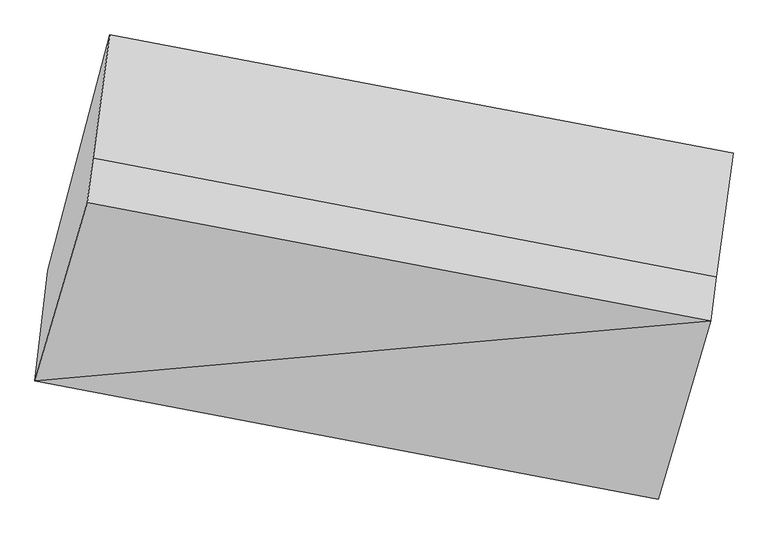
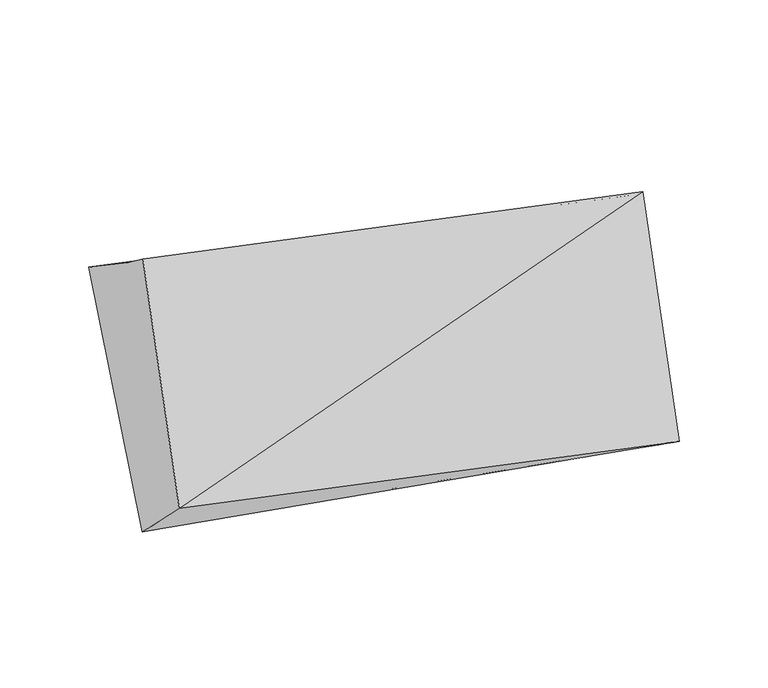
"""IFC4 building model written with IfcOpenShell, lengths in millimetres: proxy geometry."""

from ifc_helpers import new_model, si_unit, frame, origin, place, context, project, spatial, source, transform, mapped, element, save
from ifc_brep_helpers import plane_surface, spline_surface, advanced_brep


def generic_models_b3bd006a(model_context):
    return source(origin(), model_context, "Body", "AdvancedBrep", [
        advanced_brep(
        [(-3863.3990246, -1752.2188898, 1772.5977589), (-3826.0347979, -1431.1199153, 1465.1355692), (-2003.5364861, -1731.7720672, 1367.0269726), (-2052.3901789, -2096.5319855, 1633.0956076), (-3711.487759, -1235.0211821, 2468.176294), (-1900.4789132, -1579.3342779, 2328.6741427), (-3694.6076487, -1105.8188103, 2368.4212758), (-1883.598803, -1450.131906, 2228.9191245), (-3645.9585966, -746.8151027, 2113.9032357), (-1834.9497508, -1091.1281984, 1974.4010844)],
        [
            (0, 1),
            (1, 2),
            (2, 3),
            (3, 0),
            (4, 0),
            (0, 5),
            (5, 4),
            (6, 4),
            (5, 7),
            (7, 6),
            (8, 6),
            (7, 9),
            (9, 8),
            (1, 8),
            (9, 2),
            (5, 3),
        ],
        [
            spline_surface(1, 1, [[(-3863.3990246, -1752.2188898, 1772.5977589), (-2052.3901789, -2096.5319855, 1633.0956076)], [(-3826.0347979, -1431.1199153, 1465.1355692), (-2003.5364861, -1731.7720672, 1367.0269726)]], [2, 2], [2, 2], [0.0, 1.0], [0.0, 1.0]),
            plane_surface(frame((-3787.4433918, -1493.6200359, 2120.3870264), z_axis=(-0.1028639298134007, -0.7873327550557621, 0.6078866216323959), x_axis=(-0.17262643824059132, -0.5877246677616174, -0.7904301536030012))),
            plane_surface(frame((-3703.0477038, -1170.4199962, 2418.2987849), z_axis=(0.17262643824059187, 0.5877246677616238, 0.7904301536029962), x_axis=(-0.10286392981339929, -0.7873327550557571, 0.6078866216324021))),
            plane_surface(frame((-3670.2831226, -926.3169565, 2241.1622557), z_axis=(0.16824850058654095, 0.5548364572193207, 0.8147692604600975), x_axis=(-0.1098786480016483, -0.8108450271288048, 0.5748539159593661))),
            plane_surface(frame((-3735.9966972, -1088.967509, 1789.5194024), z_axis=(0.07207532704295913, 0.6761688732914062, -0.7332126581173302), x_axis=(0.1875793764461843, 0.7128175131624013, 0.675799652604994))),
            plane_surface(frame((-1934.9908264, -1589.779687, 1906.4233863), z_axis=(0.9796015132510317, -0.18624405418912088, -0.07545878024119253), x_axis=(-0.10286392981339929, -0.7873327550557571, 0.6078866216324021))),
            plane_surface(frame((-3748.2975654, -1254.19878, 2037.6468267), z_axis=(-0.9796015132510314, 0.18624405418912343, 0.07545878024119107), x_axis=(-0.08375153216755336, -0.7197400690622685, 0.6891733554381134))),
            plane_surface(frame((-3863.3990246, -1752.2188898, 1772.5977589), z_axis=(-0.10286392981340095, -0.7873327550557614, 0.6078866216323965), x_axis=(-0.172626438240591, -0.587724667761618, -0.7904301536030006))),
        ],
        [
            (0, [[1, 2, 3, 4]]),
            (1, [[5, 6, 7]]),
            (2, [[8, -7, 9, 10]]),
            (3, [[11, -10, 12, 13]]),
            (4, [[14, -13, 15, -2]]),
            (5, [[-9, 16, -3, -15, -12]]),
            (6, [[-1, -5, -8, -11, -14]]),
            (7, [[-16, -6, -4]]),
        ],
    ),
    ])


if __name__ == "__main__":
    model = new_model("IFC4")
    model_context = context("Model", 3, world=origin())
    ifc_project = project(units=[si_unit("LENGTHUNIT", "METRE", prefix="MILLI")], contexts=[model_context])
    site = spatial("IfcSite", under=ifc_project)
    building = spatial("IfcBuilding", under=site)
    placement = place(None, origin())
    generic_models_shape = generic_models_b3bd006a(model_context)
    element("IfcBuildingElementProxy", 1, Name="Generic Models", at=placement, inside=building, context=model_context, shape_type="MappedRepresentation", body=[
        mapped(generic_models_shape, transform((0.0, 0.0, 0.0), x_axis=(1.0, 0.0, 0.0), y_axis=(0.0, 1.0, 0.0), z_axis=(0.0, 0.0, 1.0))),
    ])
    save(model, "model.ifc")
